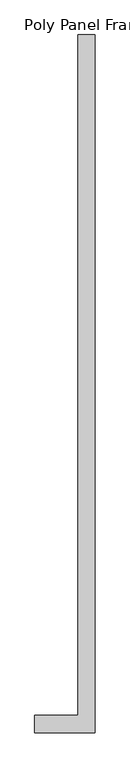
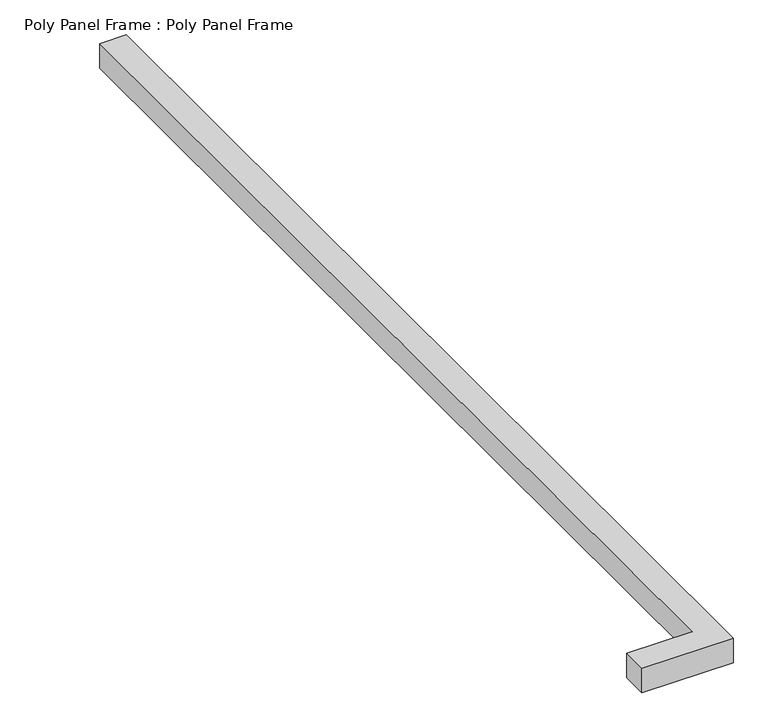
"""IFC4 building model written with IfcOpenShell, lengths in millimetres: proxy geometry, Poly Panel Frame : Poly Panel Frame."""

from ifc_helpers import new_model, si_unit, frame, origin, place, context, project, spatial, polyline, outline, extrude, source, transform, mapped, element, save


def poly_panel_frame_poly_panel_frame_52f56b88(model_context):
    return source(origin(), model_context, "Body", "SweptSolid", [
        extrude(outline(polyline([(991.1801897, -2064.4994731), (991.1801897, -1964.4994731), (1241.1801897, -1964.4994731), (1241.1801897, 1975.5005269), (1341.1801897, 1975.5005269), (1341.1801897, -2064.4994731), (991.1801897, -2064.4994731)])), frame((0.0, 0.0, 800.0), z_axis=(0.0, 0.0, 1.0), x_axis=(1.0, 0.0, 0.0)), (0.0, 0.0, 1.0), 100.0),
    ])


if __name__ == "__main__":
    model = new_model("IFC4")
    model_context = context("Model", 3, world=origin())
    ifc_project = project(units=[si_unit("LENGTHUNIT", "METRE", prefix="MILLI")], contexts=[model_context])
    site = spatial("IfcSite", under=ifc_project)
    building = spatial("IfcBuilding", under=site)
    placement = place(None, origin())
    poly_panel_frame_poly_panel_frame_shape = poly_panel_frame_poly_panel_frame_52f56b88(model_context)
    element("IfcBuildingElementProxy", 1, Name="Poly Panel Frame : Poly Panel Frame", ObjectType="Poly Panel Frame : Poly Panel Frame", at=placement, inside=building, context=model_context, shape_type="MappedRepresentation", body=[
        mapped(poly_panel_frame_poly_panel_frame_shape, transform((0.0, 0.0, 0.0), x_axis=(1.0, 0.0, 0.0), y_axis=(0.0, 1.0, 0.0), z_axis=(0.0, 0.0, 1.0))),
    ])
    save(model, "model.ifc")
